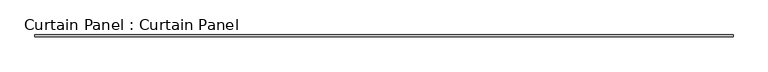
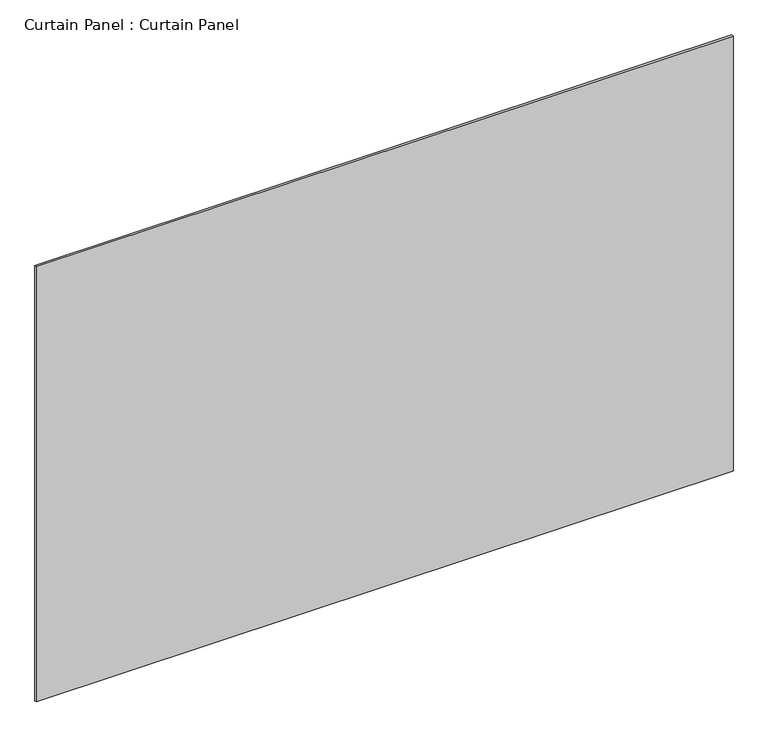
"""IFC4 building model written with IfcOpenShell, lengths in millimetres: plate geometry, Curtain Panel : Curtain Panel."""

from ifc_helpers import new_model, si_unit, frame, origin, place, context, project, spatial, polyline, outline, extrude, source, transform, mapped, element, save


def curtain_panel_curtain_panel_128d8ddf(model_context):
    return source(origin(), model_context, "Body", "SweptSolid", [
        extrude(outline(polyline([(273702.5063541, 2417.6234836), (271416.5063541, 2417.6234836), (271416.5063541, 2423.9734836), (273702.5063541, 2423.9734836), (273702.5063541, 2417.6234836)])), frame((0.0, 0.0, 6452.4810385), z_axis=(0.0, 0.0, 1.0), x_axis=(1.0, 0.0, 0.0)), (0.0, 0.0, 1.0), 1509.7438953),
    ])


if __name__ == "__main__":
    model = new_model("IFC4")
    model_context = context("Model", 3, world=origin())
    ifc_project = project(units=[si_unit("LENGTHUNIT", "METRE", prefix="MILLI")], contexts=[model_context])
    site = spatial("IfcSite", under=ifc_project)
    building = spatial("IfcBuilding", under=site)
    placement = place(None, origin())
    curtain_panel_curtain_panel_shape = curtain_panel_curtain_panel_128d8ddf(model_context)
    element("IfcPlate", 1, ObjectType="Curtain Panel : Curtain Panel", at=placement, inside=building, context=model_context, shape_type="MappedRepresentation", body=[
        mapped(curtain_panel_curtain_panel_shape, transform((0.0, 0.0, 0.0), x_axis=(1.0, 0.0, 0.0), y_axis=(0.0, 1.0, 0.0), z_axis=(0.0, 0.0, 1.0))),
    ])
    save(model, "model.ifc")
